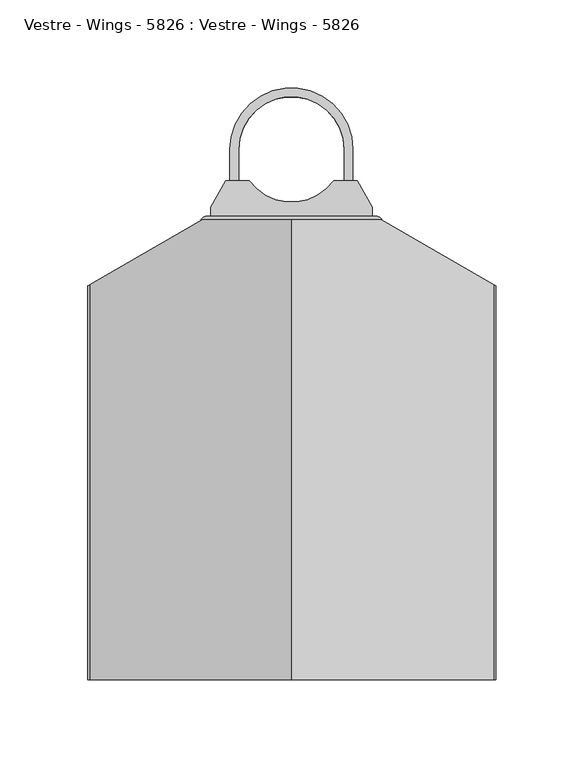
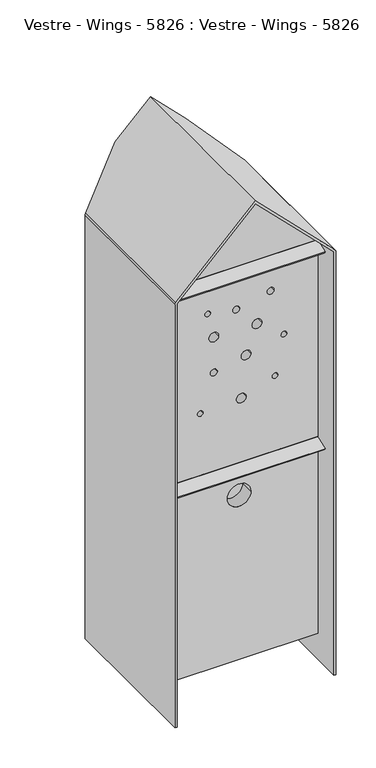
"""IFC4 building model written with IfcOpenShell, lengths in millimetres: furniture geometry, Vestre - Wings - 5826 : Vestre - Wings - 5826."""

from ifc_helpers import new_model, si_unit, point, frame, frame_2d, origin, place, context, project, spatial, polyline, circle_curve, ellipse_curve, trimmed, segment, composite_curve, outline, extrude, faceted_brep, source, transform, mapped, element, save
from ifc_brep_helpers import plane_surface, cylinder_surface, revolved_surface, advanced_brep


def vestre_wings_5826_vestre_wings_5826_23906ab6(model_context):
    return source(origin(), model_context, "Body", "SolidModel", [
        advanced_brep(
        [(-113.3844425, -101.9679492, 645.0), (-0.2473575, -101.9679492, 758.137085), (112.8897275, -101.9679492, 645.0), (112.8897275, -101.9679492, 40.0), (-113.3844425, -101.9679492, 40.0), (-113.3844425, -262.0, 645.0), (-113.3844425, -262.0, 40.0), (112.8897275, -262.0, 40.0), (112.8897275, -262.0, 645.0), (-0.2473575, -262.0, 758.137085), (-17.4716951, -262.0, 289.9878302), (16.482265, -262.0, 289.9878302), (-4.3025926, -262.0, 436.686492), (9.6974074, -262.0, 436.686492), (-60.5810364, -262.0, 433.7021135), (-52.5198566, -262.0, 433.7021135), (-42.0065123, -262.0, 489.6568513), (-32.0065123, -262.0, 489.6568513), (-44.0788849, -262.0, 543.4399785), (-30.0788849, -262.0, 543.4399785), (47.3755876, -262.0, 453.7566248), (55.3608916, -262.0, 453.7566248), (2.4820875, -262.0, 499.9584532), (16.4820875, -262.0, 499.9584532), (-49.9295809, -262.0, 581.9515795), (-41.9295809, -262.0, 581.9515795), (60.1468142, -262.0, 512.7787888), (68.1468142, -262.0, 512.7787888), (18.2542095, -262.0, 542.0707091), (32.3533353, -262.0, 542.0707091), (-9.6993623, -262.0, 574.063111), (0.3006377, -262.0, 574.063111), (39.8884604, -262.0, 585.350123), (49.8884604, -262.0, 585.350123), (99.5052849, -122.0, 639.6096834), (-100.4947151, -122.0, 639.6096834), (-100.4947151, -122.0, 60.0), (99.5052849, -122.0, 60.0), (99.5052849, -242.0, 639.6096834), (99.5052849, -242.0, 60.0), (-100.4947151, -242.0, 60.0), (-100.4947151, -242.0, 639.6096834), (16.482265, -242.0, 289.9878302), (-17.4716951, -242.0, 289.9878302), (9.6974074, -242.0, 436.686492), (-4.3025926, -242.0, 436.686492), (-52.5198566, -242.0, 433.7021135), (-60.5810364, -242.0, 433.7021135), (-32.0065123, -242.0, 489.6568513), (-42.0065123, -242.0, 489.6568513), (-30.0788849, -242.0, 543.4399785), (-44.0788849, -242.0, 543.4399785), (55.3608916, -242.0, 453.7566248), (47.3755876, -242.0, 453.7566248), (16.4820875, -242.0, 499.9584532), (2.4820875, -242.0, 499.9584532), (-41.9295809, -242.0, 581.9515795), (-49.9295809, -242.0, 581.9515795), (68.1468142, -242.0, 512.7787888), (60.1468142, -242.0, 512.7787888), (32.3533353, -242.0, 542.0707091), (18.2542095, -242.0, 542.0707091), (0.3006377, -242.0, 574.063111), (-9.6993623, -242.0, 574.063111), (49.8884604, -242.0, 585.350123), (39.8884604, -242.0, 585.350123)],
        [
            (0, 1),
            (1, 2),
            (2, 3),
            (3, 4),
            (4, 0),
            (5, 6),
            (6, 7),
            (7, 8),
            (8, 9),
            (9, 5),
            (10, 11, circle_curve(frame((-0.4947151, -262.0, 289.9878302), z_axis=(0.0, 1.0, 0.0), x_axis=(1.0, 0.0, 0.0)), 16.97698)),
            (11, 10, circle_curve(frame((-0.4947151, -262.0, 289.9878302), z_axis=(0.0, 1.0, 0.0), x_axis=(1.0, 0.0, 0.0)), 16.97698)),
            (12, 13, circle_curve(frame((2.6974074, -262.0, 436.686492), z_axis=(0.0, 1.0, 0.0), x_axis=(1.0, 0.0, 0.0)), 7.0)),
            (13, 12, circle_curve(frame((2.6974074, -262.0, 436.686492), z_axis=(0.0, 1.0, 0.0), x_axis=(1.0, 0.0, 0.0)), 7.0)),
            (14, 15, circle_curve(frame((-56.5504465, -262.0, 433.7021135), z_axis=(0.0, 1.0, 0.0), x_axis=(1.0, 0.0, 0.0)), 4.0305899)),
            (15, 14, circle_curve(frame((-56.5504465, -262.0, 433.7021135), z_axis=(0.0, 1.0, 0.0), x_axis=(1.0, 0.0, 0.0)), 4.0305899)),
            (16, 17, circle_curve(frame((-37.0065123, -262.0, 489.6568513), z_axis=(0.0, 1.0, 0.0), x_axis=(1.0, 0.0, 0.0)), 5.0)),
            (17, 16, circle_curve(frame((-37.0065123, -262.0, 489.6568513), z_axis=(0.0, 1.0, 0.0), x_axis=(1.0, 0.0, 0.0)), 5.0)),
            (18, 19, circle_curve(frame((-37.0788849, -262.0, 543.4399785), z_axis=(0.0, 1.0, 0.0), x_axis=(1.0, 0.0, 0.0)), 7.0)),
            (19, 18, circle_curve(frame((-37.0788849, -262.0, 543.4399785), z_axis=(0.0, 1.0, 0.0), x_axis=(1.0, 0.0, 0.0)), 7.0)),
            (20, 21, circle_curve(frame((51.3682396, -262.0, 453.7566248), z_axis=(0.0, 1.0, 0.0), x_axis=(1.0, 0.0, 0.0)), 3.992652)),
            (21, 20, circle_curve(frame((51.3682396, -262.0, 453.7566248), z_axis=(0.0, 1.0, 0.0), x_axis=(1.0, 0.0, 0.0)), 3.992652)),
            (22, 23, circle_curve(frame((9.4820875, -262.0, 499.9584532), z_axis=(0.0, 1.0, 0.0), x_axis=(1.0, 0.0, 0.0)), 7.0)),
            (23, 22, circle_curve(frame((9.4820875, -262.0, 499.9584532), z_axis=(0.0, 1.0, 0.0), x_axis=(1.0, 0.0, 0.0)), 7.0)),
            (24, 25, circle_curve(frame((-45.9295809, -262.0, 581.9515795), z_axis=(0.0, 1.0, 0.0), x_axis=(1.0, 0.0, 0.0)), 4.0)),
            (25, 24, circle_curve(frame((-45.9295809, -262.0, 581.9515795), z_axis=(0.0, 1.0, 0.0), x_axis=(1.0, 0.0, 0.0)), 4.0)),
            (26, 27, circle_curve(frame((64.1468142, -262.0, 512.7787888), z_axis=(0.0, 1.0, 0.0), x_axis=(1.0, 0.0, 0.0)), 4.0)),
            (27, 26, circle_curve(frame((64.1468142, -262.0, 512.7787888), z_axis=(0.0, 1.0, 0.0), x_axis=(1.0, 0.0, 0.0)), 4.0)),
            (28, 29, circle_curve(frame((25.3037724, -262.0, 542.0707091), z_axis=(0.0, 1.0, 0.0), x_axis=(1.0, 0.0, 0.0)), 7.0495629)),
            (29, 28, circle_curve(frame((25.3037724, -262.0, 542.0707091), z_axis=(0.0, 1.0, 0.0), x_axis=(1.0, 0.0, 0.0)), 7.0495629)),
            (30, 31, circle_curve(frame((-4.6993623, -262.0, 574.063111), z_axis=(0.0, 1.0, 0.0), x_axis=(1.0, 0.0, 0.0)), 5.0)),
            (31, 30, circle_curve(frame((-4.6993623, -262.0, 574.063111), z_axis=(0.0, 1.0, 0.0), x_axis=(1.0, 0.0, 0.0)), 5.0)),
            (32, 33, circle_curve(frame((44.8884604, -262.0, 585.350123), z_axis=(0.0, 1.0, 0.0), x_axis=(1.0, 0.0, 0.0)), 5.0)),
            (33, 32, circle_curve(frame((44.8884604, -262.0, 585.350123), z_axis=(0.0, 1.0, 0.0), x_axis=(1.0, 0.0, 0.0)), 5.0)),
            (0, 5),
            (9, 1),
            (8, 2),
            (7, 3),
            (6, 4),
            (34, 35),
            (35, 36),
            (36, 37),
            (37, 34),
            (38, 39),
            (39, 40),
            (40, 41),
            (41, 38),
            (42, 43, circle_curve(frame((-0.4947151, -242.0, 289.9878302), z_axis=(0.0, -1.0, 0.0), x_axis=(1.0, 0.0, 0.0)), 16.97698)),
            (43, 42, circle_curve(frame((-0.4947151, -242.0, 289.9878302), z_axis=(0.0, -1.0, 0.0), x_axis=(1.0, 0.0, 0.0)), 16.97698)),
            (44, 45, circle_curve(frame((2.6974074, -242.0, 436.686492), z_axis=(0.0, -1.0, 0.0), x_axis=(1.0, 0.0, 0.0)), 7.0)),
            (45, 44, circle_curve(frame((2.6974074, -242.0, 436.686492), z_axis=(0.0, -1.0, 0.0), x_axis=(1.0, 0.0, 0.0)), 7.0)),
            (46, 47, circle_curve(frame((-56.5504465, -242.0, 433.7021135), z_axis=(0.0, -1.0, 0.0), x_axis=(1.0, 0.0, 0.0)), 4.0305899)),
            (47, 46, circle_curve(frame((-56.5504465, -242.0, 433.7021135), z_axis=(0.0, -1.0, 0.0), x_axis=(1.0, 0.0, 0.0)), 4.0305899)),
            (48, 49, circle_curve(frame((-37.0065123, -242.0, 489.6568513), z_axis=(0.0, -1.0, 0.0), x_axis=(1.0, 0.0, 0.0)), 5.0)),
            (49, 48, circle_curve(frame((-37.0065123, -242.0, 489.6568513), z_axis=(0.0, -1.0, 0.0), x_axis=(1.0, 0.0, 0.0)), 5.0)),
            (50, 51, circle_curve(frame((-37.0788849, -242.0, 543.4399785), z_axis=(0.0, -1.0, 0.0), x_axis=(1.0, 0.0, 0.0)), 7.0)),
            (51, 50, circle_curve(frame((-37.0788849, -242.0, 543.4399785), z_axis=(0.0, -1.0, 0.0), x_axis=(1.0, 0.0, 0.0)), 7.0)),
            (52, 53, circle_curve(frame((51.3682396, -242.0, 453.7566248), z_axis=(0.0, -1.0, 0.0), x_axis=(1.0, 0.0, 0.0)), 3.992652)),
            (53, 52, circle_curve(frame((51.3682396, -242.0, 453.7566248), z_axis=(0.0, -1.0, 0.0), x_axis=(1.0, 0.0, 0.0)), 3.992652)),
            (54, 55, circle_curve(frame((9.4820875, -242.0, 499.9584532), z_axis=(0.0, -1.0, 0.0), x_axis=(1.0, 0.0, 0.0)), 7.0)),
            (55, 54, circle_curve(frame((9.4820875, -242.0, 499.9584532), z_axis=(0.0, -1.0, 0.0), x_axis=(1.0, 0.0, 0.0)), 7.0)),
            (56, 57, circle_curve(frame((-45.9295809, -242.0, 581.9515795), z_axis=(0.0, -1.0, 0.0), x_axis=(1.0, 0.0, 0.0)), 4.0)),
            (57, 56, circle_curve(frame((-45.9295809, -242.0, 581.9515795), z_axis=(0.0, -1.0, 0.0), x_axis=(1.0, 0.0, 0.0)), 4.0)),
            (58, 59, circle_curve(frame((64.1468142, -242.0, 512.7787888), z_axis=(0.0, -1.0, 0.0), x_axis=(1.0, 0.0, 0.0)), 4.0)),
            (59, 58, circle_curve(frame((64.1468142, -242.0, 512.7787888), z_axis=(0.0, -1.0, 0.0), x_axis=(1.0, 0.0, 0.0)), 4.0)),
            (60, 61, circle_curve(frame((25.3037724, -242.0, 542.0707091), z_axis=(0.0, -1.0, 0.0), x_axis=(1.0, 0.0, 0.0)), 7.0495629)),
            (61, 60, circle_curve(frame((25.3037724, -242.0, 542.0707091), z_axis=(0.0, -1.0, 0.0), x_axis=(1.0, 0.0, 0.0)), 7.0495629)),
            (62, 63, circle_curve(frame((-4.6993623, -242.0, 574.063111), z_axis=(0.0, -1.0, 0.0), x_axis=(1.0, 0.0, 0.0)), 5.0)),
            (63, 62, circle_curve(frame((-4.6993623, -242.0, 574.063111), z_axis=(0.0, -1.0, 0.0), x_axis=(1.0, 0.0, 0.0)), 5.0)),
            (64, 65, circle_curve(frame((44.8884604, -242.0, 585.350123), z_axis=(0.0, -1.0, 0.0), x_axis=(1.0, 0.0, 0.0)), 5.0)),
            (65, 64, circle_curve(frame((44.8884604, -242.0, 585.350123), z_axis=(0.0, -1.0, 0.0), x_axis=(1.0, 0.0, 0.0)), 5.0)),
            (37, 39),
            (38, 34),
            (36, 40),
            (35, 41),
            (10, 43),
            (42, 11),
            (12, 45),
            (44, 13),
            (14, 47),
            (46, 15),
            (16, 49),
            (48, 17),
            (18, 51),
            (50, 19),
            (20, 53),
            (52, 21),
            (22, 55),
            (54, 23),
            (24, 57),
            (56, 25),
            (26, 59),
            (58, 27),
            (28, 61),
            (60, 29),
            (30, 63),
            (62, 31),
            (32, 65),
            (64, 33),
        ],
        [
            plane_surface(frame((-0.2473575, -101.9679492, 758.137085), z_axis=(0.0, 1.0000000000000002, 0.0), x_axis=(0.707106781186547, 0.0, 0.7071067811865481))),
            plane_surface(frame((-0.2473575, -262.0, 758.137085), z_axis=(0.0, -1.0000000000000002, 0.0), x_axis=(-0.707106781186547, 0.0, -0.7071067811865481))),
            plane_surface(frame((-113.3844425, -101.9679492, 645.0), z_axis=(-0.7071067811865481, 0.0, 0.707106781186547), x_axis=(0.0, -1.0, 0.0))),
            plane_surface(frame((-0.2473575, -101.9679492, 758.137085), z_axis=(0.7071067811865502, 0.0, 0.7071067811865448), x_axis=(0.0, -1.0, 0.0))),
            plane_surface(frame((112.8897275, -101.9679492, 645.0), z_axis=(1.0, 0.0, 0.0), x_axis=(0.0, -1.0, 0.0))),
            plane_surface(frame((112.8897275, -101.9679492, 40.0), z_axis=(0.0, 0.0, -1.0), x_axis=(0.0, -1.0, 0.0))),
            plane_surface(frame((-113.3844425, -101.9679492, 40.0), z_axis=(-1.0, 0.0, 0.0), x_axis=(0.0, -1.0, 0.0))),
            plane_surface(frame((99.5052849, -122.0, 639.6096834), z_axis=(0.0, -1.0, 0.0), x_axis=(0.0, 0.0, -1.0))),
            plane_surface(frame((99.5052849, -242.0, 639.6096834), z_axis=(0.0, 1.0, 0.0), x_axis=(0.0, 0.0, 1.0))),
            plane_surface(frame((99.5052849, -122.0, 639.6096834), z_axis=(-1.0, 0.0, 0.0), x_axis=(0.0, -1.0, 0.0))),
            plane_surface(frame((99.5052849, -122.0, 60.0), z_axis=(0.0, 0.0, 1.0), x_axis=(0.0, -1.0, 0.0))),
            plane_surface(frame((-100.4947151, -122.0, 60.0), z_axis=(1.0, 0.0, 0.0), x_axis=(0.0, -1.0, 0.0))),
            plane_surface(frame((-100.4947151, -122.0, 639.6096834), z_axis=(0.0, 0.0, -1.0), x_axis=(0.0, -1.0, 0.0))),
            revolved_surface(polyline([(16.4822649, -242.0, 289.9878302), (16.4822649, -262.0, 289.9878302)]), (-0.4947151, -316.8289104, 289.9878302), (0.0, 1.0, 0.0)),
            revolved_surface(polyline([(9.6974074, -242.0, 436.686492), (9.6974074, -262.0, 436.686492)]), (2.6974074, 0.0, 436.686492), (0.0, 1.0, 0.0)),
            revolved_surface(polyline([(-52.5198566, -242.0, 433.7021135), (-52.5198566, -262.0, 433.7021135)]), (-56.5504465, 0.0, 433.7021135), (0.0, 1.0, 0.0)),
            revolved_surface(polyline([(-32.0065123, -242.0, 489.6568513), (-32.0065123, -262.0, 489.6568513)]), (-37.0065123, 0.0, 489.6568513), (0.0, 1.0, 0.0)),
            revolved_surface(polyline([(-30.0788849, -242.0, 543.4399785), (-30.0788849, -262.0, 543.4399785)]), (-37.0788849, 0.0, 543.4399785), (0.0, 1.0, 0.0)),
            revolved_surface(polyline([(55.3608916, -242.0, 453.7566248), (55.3608916, -262.0, 453.7566248)]), (51.3682396, 0.0, 453.7566248), (0.0, 1.0, 0.0)),
            revolved_surface(polyline([(16.4820875, -242.0, 499.9584532), (16.4820875, -262.0, 499.9584532)]), (9.4820875, 0.0, 499.9584532), (0.0, 1.0, 0.0)),
            revolved_surface(polyline([(-41.9295809, -242.0, 581.9515795), (-41.9295809, -262.0, 581.9515795)]), (-45.9295809, 0.0, 581.9515795), (0.0, 1.0, 0.0)),
            revolved_surface(polyline([(68.1468142, -242.0, 512.7787888), (68.1468142, -262.0, 512.7787888)]), (64.1468142, 0.0, 512.7787888), (0.0, 1.0, 0.0)),
            revolved_surface(polyline([(32.3533353, -242.0, 542.0707091), (32.3533353, -262.0, 542.0707091)]), (25.3037724, 0.0, 542.0707091), (0.0, 1.0, 0.0)),
            revolved_surface(polyline([(0.30063770000000023, -242.0, 574.063111), (0.30063770000000023, -262.0, 574.063111)]), (-4.6993623, 0.0, 574.063111), (0.0, 1.0, 0.0)),
            revolved_surface(polyline([(49.8884604, -242.0, 585.350123), (49.8884604, -262.0, 585.350123)]), (44.8884604, 0.0, 585.350123), (0.0, 1.0, 0.0)),
        ],
        [
            (0, [[1, 2, 3, 4, 5]]),
            (1, [[6, 7, 8, 9, 10], [11, 12], [13, 14], [15, 16], [17, 18], [19, 20], [21, 22], [23, 24], [25, 26], [27, 28], [29, 30], [31, 32], [33, 34]]),
            (2, [[-1, 35, -10, 36]]),
            (3, [[-2, -36, -9, 37]]),
            (4, [[-3, -37, -8, 38]]),
            (5, [[-4, -38, -7, 39]]),
            (6, [[-5, -39, -6, -35]]),
            (7, [[40, 41, 42, 43]]),
            (8, [[44, 45, 46, 47], [48, 49], [50, 51], [52, 53], [54, 55], [56, 57], [58, 59], [60, 61], [62, 63], [64, 65], [66, 67], [68, 69], [70, 71]]),
            (9, [[-43, 72, -44, 73]]),
            (10, [[-42, 74, -45, -72]]),
            (11, [[-41, 75, -46, -74]]),
            (12, [[-40, -73, -47, -75]]),
            (13, [[76, -48, 77, -11]]),
            (13, [[-76, -12, -77, -49]]),
            (14, [[78, -50, 79, -13]]),
            (14, [[-78, -14, -79, -51]]),
            (15, [[80, -52, 81, -15]]),
            (15, [[-80, -16, -81, -53]]),
            (16, [[82, -54, 83, -17]]),
            (16, [[-82, -18, -83, -55]]),
            (17, [[84, -56, 85, -19]]),
            (17, [[-84, -20, -85, -57]]),
            (18, [[86, -58, 87, -21]]),
            (18, [[-86, -22, -87, -59]]),
            (19, [[88, -60, 89, -23]]),
            (19, [[-88, -24, -89, -61]]),
            (20, [[90, -62, 91, -25]]),
            (20, [[-90, -26, -91, -63]]),
            (21, [[92, -64, 93, -27]]),
            (21, [[-92, -28, -93, -65]]),
            (22, [[94, -66, 95, -29]]),
            (22, [[-94, -30, -95, -67]]),
            (23, [[96, -68, 97, -31]]),
            (23, [[-96, -32, -97, -69]]),
            (24, [[98, -70, 99, -33]]),
            (24, [[-98, -34, -99, -71]]),
        ],
    ),
        extrude(outline(composite_curve([segment(polyline([(36.962798, -17.9679492), (45.5052849, -32.9679492), (45.5052849, -37.9679492), (-46.4947151, -37.9679492), (-46.4947151, -32.9679492), (-37.9522282, -17.9679492), (-24.5187198, -17.9679492)]), True, "CONTINUOUS"), segment(trimmed(circle_curve(frame_2d((-0.4947151, 0.0)), 30.0), [point((-24.5187198, -17.9679492))], [point((23.5292896, -17.9679492))], True, "CARTESIAN"), True, "CONTINUOUS"), segment(polyline([(23.5292896, -17.9679492), (36.962798, -17.9679492)]), True, "CONTINUOUS")], self_intersect=False)), frame((0.0, 0.0, 46.6096834), z_axis=(0.0, 0.0, 1.0), x_axis=(1.0, 0.0, 0.0)), (0.0, 0.0, 1.0), 16.0),
        extrude(outline(composite_curve([segment(polyline([(-30.4947151, 0.0), (-30.4947151, -37.9679492), (-35.4947151, -37.9679492), (-35.4947151, 0.0)]), True, "CONTINUOUS"), segment(trimmed(circle_curve(frame_2d((-0.4947151, 0.0)), 35.0), [point((-35.4947151, 0.0))], [point((34.5052849, 0.0))], False, "CARTESIAN"), True, "CONTINUOUS"), segment(polyline([(34.5052849, 0.0), (34.5052849, -37.9679492), (29.5052849, -37.9679492), (29.5052849, 0.0)]), True, "CONTINUOUS"), segment(trimmed(circle_curve(frame_2d((-0.4947151, 0.0)), 30.0), [point((29.5052849, 0.0))], [point((-30.4947151, 0.0))], True, "CARTESIAN"), True, "CONTINUOUS")], self_intersect=False)), frame((0.0, 0.0, 50.6092537), z_axis=(0.0, 0.0, 1.0), x_axis=(1.0, 0.0, 0.0)), (0.0, 0.0, 1.0), 7.9898167),
        extrude(outline(composite_curve([segment(polyline([(-48.4947151, -37.9679492), (47.5052849, -37.9679492)]), True, "CONTINUOUS"), segment(trimmed(circle_curve(frame_2d((47.5052849, -41.9679492)), 4.0), [point((47.5052849, -37.9679492))], [point((51.5052849, -41.9679492))], False, "CARTESIAN"), True, "CONTINUOUS"), segment(polyline([(51.5052849, -41.9679492), (51.5052849, -47.0), (-52.4947151, -47.0), (-52.4947151, -41.9679492)]), True, "CONTINUOUS"), segment(trimmed(circle_curve(frame_2d((-48.4947151, -41.9679492)), 4.0), [point((-52.4947151, -41.9679492))], [point((-48.4947151, -37.9679492))], False, "CARTESIAN"), True, "CONTINUOUS")], self_intersect=False)), frame((0.0, 0.0, 25.1096834), z_axis=(0.0, 0.0, 1.0), x_axis=(1.0, 0.0, 0.0)), (0.0, 0.0, 1.0), 77.0),
        extrude(outline(composite_curve([segment(polyline([(36.962798, -17.9679492), (45.5052849, -32.9679492), (45.5052849, -37.9679492), (-46.4947151, -37.9679492), (-46.4947151, -32.9679492), (-37.9522282, -17.9679492), (-24.5187198, -17.9679492)]), True, "CONTINUOUS"), segment(trimmed(circle_curve(frame_2d((-0.4947151, 0.0)), 30.0), [point((-24.5187198, -17.9679492))], [point((23.5292896, -17.9679492))], True, "CARTESIAN"), True, "CONTINUOUS"), segment(polyline([(23.5292896, -17.9679492), (36.962798, -17.9679492)]), True, "CONTINUOUS")], self_intersect=False)), frame((0.0, 0.0, 551.6096834), z_axis=(0.0, 0.0, 1.0), x_axis=(1.0, 0.0, 0.0)), (0.0, 0.0, 1.0), 16.0),
        extrude(outline(composite_curve([segment(polyline([(-30.4947151, 0.0), (-30.4947151, -37.9679492), (-35.4947151, -37.9679492), (-35.4947151, 0.0)]), True, "CONTINUOUS"), segment(trimmed(circle_curve(frame_2d((-0.4947151, 0.0)), 35.0), [point((-35.4947151, 0.0))], [point((34.5052849, 0.0))], False, "CARTESIAN"), True, "CONTINUOUS"), segment(polyline([(34.5052849, 0.0), (34.5052849, -37.9679492), (29.5052849, -37.9679492), (29.5052849, 0.0)]), True, "CONTINUOUS"), segment(trimmed(circle_curve(frame_2d((-0.4947151, 0.0)), 30.0), [point((29.5052849, 0.0))], [point((-30.4947151, 0.0))], True, "CARTESIAN"), True, "CONTINUOUS")], self_intersect=False)), frame((0.0, 0.0, 555.6092537), z_axis=(0.0, 0.0, 1.0), x_axis=(1.0, 0.0, 0.0)), (0.0, 0.0, 1.0), 7.9898167),
        extrude(outline(composite_curve([segment(polyline([(-48.4947151, -37.9679492), (47.5052849, -37.9679492)]), True, "CONTINUOUS"), segment(trimmed(circle_curve(frame_2d((47.5052849, -41.9679492)), 4.0), [point((47.5052849, -37.9679492))], [point((51.5052849, -41.9679492))], False, "CARTESIAN"), True, "CONTINUOUS"), segment(polyline([(51.5052849, -41.9679492), (51.5052849, -47.0), (-52.4947151, -47.0), (-52.4947151, -41.9679492)]), True, "CONTINUOUS"), segment(trimmed(circle_curve(frame_2d((-48.4947151, -41.9679492)), 4.0), [point((-52.4947151, -41.9679492))], [point((-48.4947151, -37.9679492))], False, "CARTESIAN"), True, "CONTINUOUS")], self_intersect=False)), frame((0.0, 0.0, 543.1096834), z_axis=(0.0, 0.0, 1.0), x_axis=(1.0, 0.0, 0.0)), (0.0, 0.0, 1.0), 96.5005892),
        advanced_brep(
        [(-0.2473575, -40.0, 762.3797257), (50.6322747, -40.0, 711.5000934), (50.6322747, -40.0, 707.2574528), (-0.2473575, -40.0, 758.137085), (-51.1269898, -40.0, 707.2574528), (-51.1269898, -40.0, 711.5000934), (-0.2473575, -302.0, 762.3797257), (-115.2128696, -302.0, 647.4142136), (-116.3844425, -302.0, 644.5857864), (-116.3844425, -302.0, 0.0), (-113.3844425, -302.0, 0.0), (-113.3844425, -302.0, 645.0), (-0.2473575, -302.0, 758.137085), (112.8897275, -302.0, 645.0), (112.8897275, -302.0, 0.0), (115.8897275, -302.0, 0.0), (115.8897275, -302.0, 644.5857864), (114.7181546, -302.0, 647.4142136), (114.7181546, -77.0, 647.4142136), (115.8897275, -77.6764079, 644.5857864), (115.8897275, -77.6764079, 0.0), (112.8897275, -75.9443571, 0.0), (112.8897275, -75.9443571, 645.0), (-113.3844425, -75.9443571, 645.0), (-113.3844425, -75.9443571, 0.0), (-116.3844425, -77.6764079, 0.0), (-116.3844425, -77.6764079, 644.5857864), (-115.2128696, -77.0, 647.4142136)],
        [
            (0, 1),
            (1, 2),
            (2, 3),
            (3, 4),
            (4, 5),
            (5, 0),
            (6, 7),
            (7, 8, circle_curve(frame((-112.3844425, -302.0, 644.5857864), z_axis=(0.0, -1.0, 0.0), x_axis=(1.0, 0.0, 0.0)), 4.0)),
            (8, 9),
            (9, 10),
            (10, 11),
            (11, 12),
            (12, 13),
            (13, 14),
            (14, 15),
            (15, 16),
            (16, 17, circle_curve(frame((111.8897275, -302.0, 644.5857864), z_axis=(0.0, -1.0, 0.0), x_axis=(1.0, 0.0, 0.0)), 4.0)),
            (17, 6),
            (17, 18),
            (18, 1),
            (0, 6),
            (16, 19),
            (19, 18, ellipse_curve(frame((111.8897275, -75.3670068, 644.5857864), z_axis=(-0.5000000000000058, -0.8660254037844354, 0.0), x_axis=(-0.8660254037844356, 0.5000000000000056, 0.0)), 4.6188022, 4.0)),
            (15, 20),
            (20, 19),
            (14, 21),
            (21, 20),
            (13, 22),
            (22, 21),
            (12, 3),
            (2, 22),
            (11, 23),
            (23, 4),
            (10, 24),
            (24, 23),
            (9, 25),
            (25, 24),
            (8, 26),
            (26, 25),
            (7, 27),
            (27, 26, ellipse_curve(frame((-112.3844425, -75.3670068, 644.5857864), z_axis=(0.500000000000001, -0.8660254037844383, 0.0), x_axis=(0.8660254037844385, 0.5000000000000006, 0.0)), 4.6188022, 4.0)),
            (5, 27),
        ],
        [
            plane_surface(frame((114.7181546, -40.0, 647.4142136), z_axis=(0.0, 1.0, 0.0), x_axis=(0.7071067811865452, 0.0, -0.7071067811865499))),
            plane_surface(frame((114.7181546, -302.0, 647.4142136), z_axis=(0.0, -1.0, 0.0), x_axis=(-0.7071067811865452, 0.0, 0.7071067811865499))),
            plane_surface(frame((-0.2473575, -40.0, 762.3797257), z_axis=(0.7071067811865499, 0.0, 0.7071067811865452), x_axis=(0.0, -1.0, 0.0))),
            cylinder_surface(frame((111.8897275, -302.0, 644.5857864), z_axis=(0.0, 1.0, 0.0), x_axis=(1.0, 0.0, 0.0)), 4.0),
            plane_surface(frame((115.8897275, -40.0, 644.5857864), z_axis=(1.0, 0.0, 0.0), x_axis=(0.0, -1.0, 0.0))),
            plane_surface(frame((115.8897275, -40.0, 0.0), z_axis=(0.0, 0.0, -1.0), x_axis=(0.0, -1.0, 0.0))),
            plane_surface(frame((112.8897275, -40.0, 0.0), z_axis=(-1.0, 0.0, 0.0), x_axis=(0.0, -1.0, 0.0))),
            plane_surface(frame((112.8897275, -40.0, 645.0), z_axis=(-0.7071067811865509, 0.0, -0.7071067811865441), x_axis=(0.0, -1.0, 0.0))),
            plane_surface(frame((-0.2473575, -40.0, 758.137085), z_axis=(0.7071067811865498, 0.0, -0.7071067811865455), x_axis=(0.0, -1.0, 0.0))),
            plane_surface(frame((-113.3844425, -40.0, 645.0), z_axis=(1.0, 0.0, 0.0), x_axis=(0.0, -1.0, 0.0))),
            plane_surface(frame((-113.3844425, -40.0, 0.0), z_axis=(0.0, 0.0, -1.0), x_axis=(0.0, -1.0, 0.0))),
            plane_surface(frame((-116.3844425, -40.0, 0.0), z_axis=(-1.0, 0.0, 0.0), x_axis=(0.0, -1.0, 0.0))),
            cylinder_surface(frame((-112.3844425, -302.0, 644.5857864), z_axis=(0.0, 1.0, 0.0), x_axis=(1.0, 0.0, 0.0)), 4.0),
            plane_surface(frame((-115.2128696, -40.0, 647.4142136), z_axis=(-0.7071067811865503, 0.0, 0.7071067811865448), x_axis=(0.0, -1.0, 0.0))),
            plane_surface(frame((50.6322747, -40.0, 796.79217), z_axis=(0.5000000000000058, 0.8660254037844354, 0.0), x_axis=(0.0, 0.0, -1.0))),
            plane_surface(frame((-119.2744343, -79.3449455, 796.79217), z_axis=(-0.5000000000000009, 0.866025403784438, 0.0), x_axis=(0.0, 0.0, -1.0))),
        ],
        [
            (0, [[1, 2, 3, 4, 5, 6]]),
            (1, [[7, 8, 9, 10, 11, 12, 13, 14, 15, 16, 17, 18]]),
            (2, [[-18, 19, 20, -1, 21]]),
            (3, [[-17, 22, 23, -19]]),
            (4, [[-16, 24, 25, -22]]),
            (5, [[-15, 26, 27, -24]]),
            (6, [[-14, 28, 29, -26]]),
            (7, [[-13, 30, -3, 31, -28]]),
            (8, [[-12, 32, 33, -4, -30]]),
            (9, [[-11, 34, 35, -32]]),
            (10, [[-10, 36, 37, -34]]),
            (11, [[-9, 38, 39, -36]]),
            (12, [[-8, 40, 41, -38]]),
            (13, [[-7, -21, -6, 42, -40]]),
            (14, [[-2, -20, -23, -25, -27, -29, -31]]),
            (15, [[-5, -33, -35, -37, -39, -41, -42]]),
        ],
    ),
        faceted_brep([(42.8897275, -47.0, 715.0), (-43.3844425, -47.0, 715.0), (-43.3844425, -50.0, 715.0), (42.8897275, -50.0, 715.0), (112.8897275, -80.8215223, 0.0), (112.8897275, -100.2679492, 0.0), (109.3950124, -100.2679492, 0.0), (109.3950124, -82.2679492, 0.0), (53.5052849, -50.0, 0.0), (-54.4947151, -50.0, 0.0), (-110.3844425, -82.2679492, 0.0), (-110.3844425, -100.2679492, 0.0), (-113.3844425, -100.2679492, 0.0), (-113.3844425, -80.5358984, 0.0), (-55.2985626, -47.0, 0.0), (54.3091325, -47.0, 0.0), (54.3091325, -47.0, 703.5805949), (112.8897275, -80.8215223, 645.0), (-55.2985626, -47.0, 703.0858799), (-113.3844425, -80.5358984, 645.0), (-113.3844425, -100.2679492, 645.0), (-110.3844425, -100.2679492, 648.0), (-110.3844425, -82.2679492, 648.0), (-54.4947151, -50.0, 703.8897275), (53.5052849, -50.0, 704.3844425), (109.3950124, -82.2679492, 648.4947151), (109.3950124, -100.2679492, 648.4947151), (112.8897275, -100.2679492, 645.0)], [[[0, 1, 2, 3]], [[4, 5, 6, 7, 8, 9, 10, 11, 12, 13, 14, 15]], [[4, 15, 16, 17]], [[15, 14, 18, 1, 0, 16]], [[14, 13, 19, 18]], [[13, 12, 20, 19]], [[12, 11, 21, 20]], [[11, 10, 22, 21]], [[10, 9, 23, 22]], [[9, 8, 24, 3, 2, 23]], [[8, 7, 25, 24]], [[7, 6, 26, 25]], [[6, 5, 27, 26]], [[5, 4, 17, 27]], [[0, 3, 24, 25, 26, 27, 17, 16]], [[2, 1, 18, 19, 20, 21, 22, 23]]]),
        extrude(outline(composite_curve([segment(polyline([(-280.7938524, 331.1595971), (-281.4778927, 333.0389824), (-262.7425717, 339.8580815)]), True, "CONTINUOUS"), segment(trimmed(circle_curve(frame_2d((-261.9377121, 337.6467479)), 2.3532521), [point((-262.7425717, 339.8580815))], [point((-261.9377121, 340.0))], False, "CARTESIAN"), True, "CONTINUOUS"), segment(polyline([(-261.9377121, 340.0), (-255.3769496, 340.0), (-255.3769496, 338.0), (-261.4710191, 338.0)]), True, "CONTINUOUS"), segment(trimmed(circle_curve(frame_2d((-261.4710191, 335.0)), 3.0), [point((-261.4710191, 338.0))], [point((-262.4970795, 337.8190779))], True, "CARTESIAN"), True, "CONTINUOUS"), segment(polyline([(-262.4970795, 337.8190779), (-280.7938524, 331.1595971)]), True, "CONTINUOUS")], self_intersect=False)), frame((-113.3844425, 0.0, 0.0), z_axis=(1.0, 0.0, 0.0), x_axis=(0.0, 1.0, 0.0)), (0.0, 0.0, 1.0), 226.27417),
        extrude(outline(composite_curve([segment(polyline([(-280.7938524, 631.1595971), (-281.4778927, 633.0389824), (-262.7425717, 639.8580815)]), True, "CONTINUOUS"), segment(trimmed(circle_curve(frame_2d((-261.9377121, 637.6467479)), 2.3532521), [point((-262.7425717, 639.8580815))], [point((-261.9377121, 640.0))], False, "CARTESIAN"), True, "CONTINUOUS"), segment(polyline([(-261.9377121, 640.0), (-255.3769496, 640.0), (-255.3769496, 638.0), (-261.4710191, 638.0)]), True, "CONTINUOUS"), segment(trimmed(circle_curve(frame_2d((-261.4710191, 635.0)), 3.0), [point((-261.4710191, 638.0))], [point((-262.4970795, 637.8190779))], True, "CARTESIAN"), True, "CONTINUOUS"), segment(polyline([(-262.4970795, 637.8190779), (-280.7938524, 631.1595971)]), True, "CONTINUOUS")], self_intersect=False)), frame((-113.3844425, 0.0, 0.0), z_axis=(1.0, 0.0, 0.0), x_axis=(0.0, 1.0, 0.0)), (0.0, 0.0, 1.0), 226.27417),
    ])


if __name__ == "__main__":
    model = new_model("IFC4")
    model_context = context("Model", 3, world=origin())
    ifc_project = project(units=[si_unit("LENGTHUNIT", "METRE", prefix="MILLI")], contexts=[model_context])
    site = spatial("IfcSite", under=ifc_project)
    building = spatial("IfcBuilding", under=site)
    placement = place(None, origin())
    vestre_wings_5826_vestre_wings_5826_shape = vestre_wings_5826_vestre_wings_5826_23906ab6(model_context)
    element("IfcFurniture", 1, ObjectType="Vestre - Wings - 5826 : Vestre - Wings - 5826", at=placement, inside=building, context=model_context, shape_type="MappedRepresentation", body=[
        mapped(vestre_wings_5826_vestre_wings_5826_shape, transform((0.0, 0.0, 0.0), x_axis=(1.0, 0.0, 0.0), y_axis=(0.0, 1.0, 0.0), z_axis=(0.0, 0.0, 1.0))),
    ])
    save(model, "model.ifc")
